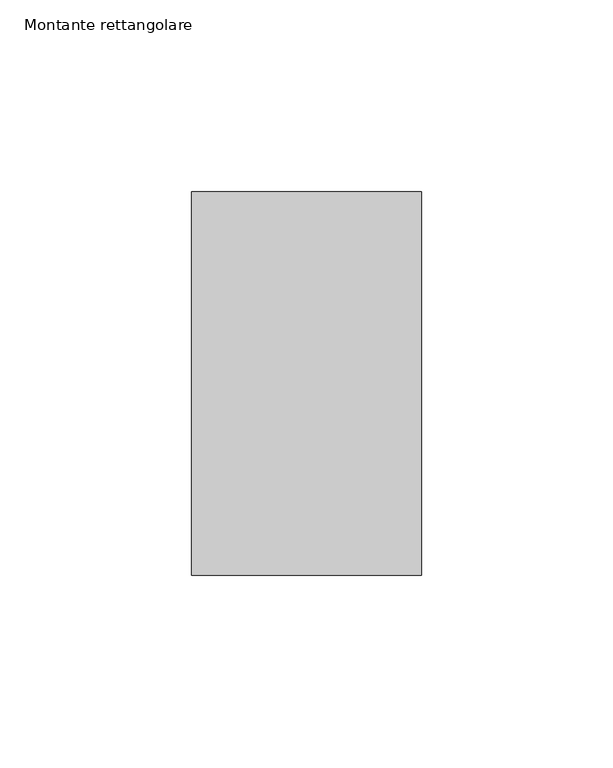
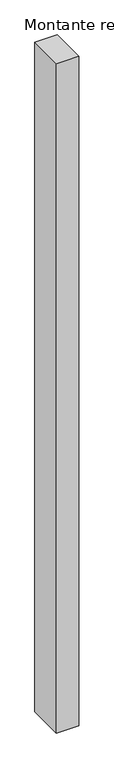
"""IFC4 building model written with IfcOpenShell, lengths in millimetres: member geometry, Montante rettangolare."""

from ifc_helpers import new_model, si_unit, frame, origin, place, context, project, spatial, polyline, outline, extrude, source, transform, mapped, element, save


def montante_rettangolare_bdd9f50d(model_context):
    return source(origin(), model_context, "Body", "SweptSolid", [
        extrude(outline(polyline([(30.0, 50.0), (30.0, -50.0), (-30.0, -50.0), (-30.0, 50.0), (30.0, 50.0)])), frame((0.0, 0.0, -1895.2447726), z_axis=(0.0, 0.0, 1.0), x_axis=(1.0, 0.0, 0.0)), (0.0, 0.0, 1.0), 1895.2447726),
    ])


if __name__ == "__main__":
    model = new_model("IFC4")
    model_context = context("Model", 3, world=origin())
    ifc_project = project(units=[si_unit("LENGTHUNIT", "METRE", prefix="MILLI")], contexts=[model_context])
    site = spatial("IfcSite", under=ifc_project)
    building = spatial("IfcBuilding", under=site)
    placement = place(None, origin())
    montante_rettangolare_shape = montante_rettangolare_bdd9f50d(model_context)
    element("IfcMember", 1, ObjectType="Montante rettangolare", at=placement, inside=building, context=model_context, shape_type="MappedRepresentation", body=[
        mapped(montante_rettangolare_shape, transform((0.0, 0.0, 0.0), x_axis=(1.0, 0.0, 0.0), y_axis=(0.0, 1.0, 0.0), z_axis=(0.0, 0.0, 1.0))),
    ])
    save(model, "model.ifc")
